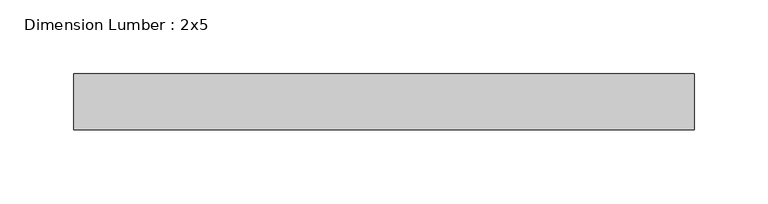
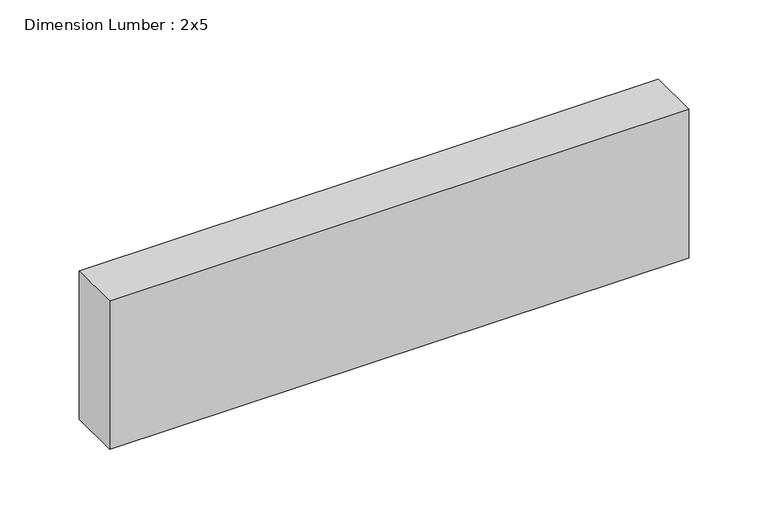
"""IFC4 building model written with IfcOpenShell, lengths in millimetres: beam geometry, Dimension Lumber : 2x5."""

from ifc_helpers import new_model, si_unit, frame, origin, place, context, project, spatial, polyline, outline, extrude, source, transform, mapped, element, save


def dimension_lumber_2x5_80769aad(model_context):
    return source(origin(), model_context, "Body", "SweptSolid", [
        extrude(outline(polyline([(207.7115736, 19.05), (207.7115736, -19.05), (-213.0350974, -19.05), (-213.0350974, 19.05), (207.7115736, 19.05)])), frame((0.0, 0.0, -57.15), z_axis=(0.0, 0.0, 1.0), x_axis=(1.0, 0.0, 0.0)), (0.0, 0.0, 1.0), 114.3),
    ])


if __name__ == "__main__":
    model = new_model("IFC4")
    model_context = context("Model", 3, world=origin())
    ifc_project = project(units=[si_unit("LENGTHUNIT", "METRE", prefix="MILLI")], contexts=[model_context])
    site = spatial("IfcSite", under=ifc_project)
    building = spatial("IfcBuilding", under=site)
    placement = place(None, origin())
    dimension_lumber_2x5_shape = dimension_lumber_2x5_80769aad(model_context)
    element("IfcBeam", 1, ObjectType="Dimension Lumber : 2x5", at=placement, inside=building, context=model_context, shape_type="MappedRepresentation", body=[
        mapped(dimension_lumber_2x5_shape, transform((0.0, 0.0, 0.0), x_axis=(1.0, 0.0, 0.0), y_axis=(0.0, 1.0, 0.0), z_axis=(0.0, 0.0, 1.0))),
    ])
    save(model, "model.ifc")
